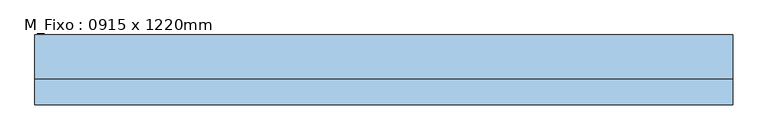
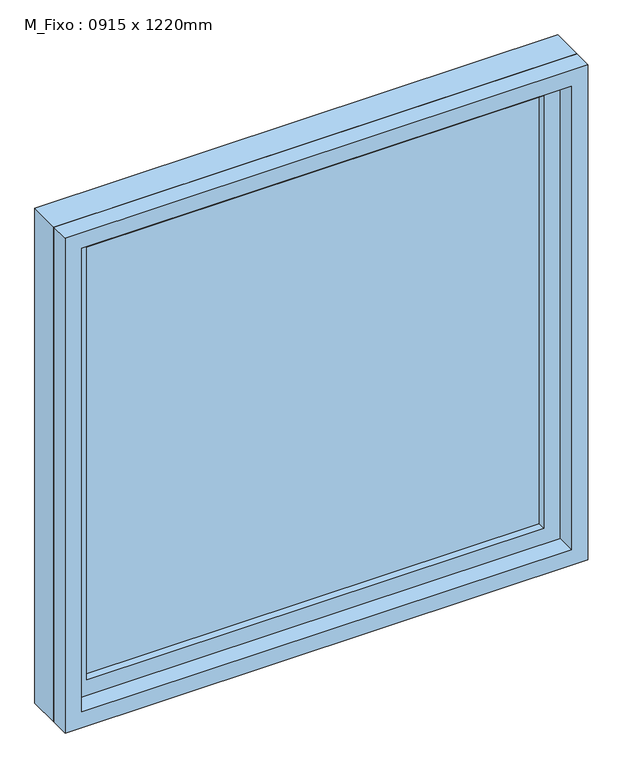
"""IFC4 building model written with IfcOpenShell, lengths in millimetres: window geometry, M_Fixo : 0915 x 1220mm."""

from ifc_helpers import new_model, si_unit, frame, origin, place, context, project, spatial, polyline, outline, extrude, source, transform, mapped, element, save


def m_fixo_0915_x_1220mm_7319355b(model_context):
    return source(origin(), model_context, "Body", "SweptSolid", [
        extrude(outline(polyline([(-437.0, 28.0), (437.0, 28.0), (437.0, 16.0), (-437.0, 16.0), (-437.0, 28.0)])), frame((0.0, 0.0, 1163.0), z_axis=(0.0, 0.0, 1.0), x_axis=(1.0, 0.0, 0.0)), (0.0, 0.0, 1.0), 874.0),
        extrude(outline(polyline([(2081.0, -481.0), (1119.0, -481.0), (1119.0, 481.0), (2081.0, 481.0), (2081.0, -481.0)]), holes=[polyline([(2037.0, -437.0), (2037.0, 437.0), (1163.0, 437.0), (1163.0, -437.0), (2037.0, -437.0)])]), frame((0.0, 0.0, 0.0), z_axis=(0.0, 1.0, 0.0), x_axis=(0.0, 0.0, 1.0)), (0.0, 0.0, 1.0), 44.0),
        extrude(outline(polyline([(2100.0, -500.0), (1100.0, -500.0), (1100.0, 500.0), (2100.0, 500.0), (2100.0, -500.0)]), holes=[polyline([(2081.0, -481.0), (2081.0, 481.0), (1119.0, 481.0), (1119.0, -481.0), (2081.0, -481.0)])]), frame((0.0, 0.0, 0.0), z_axis=(0.0, 1.0, 0.0), x_axis=(0.0, 0.0, 1.0)), (0.0, 0.0, 1.0), 63.0),
        extrude(outline(polyline([(2100.0, -500.0), (1100.0, -500.0), (1100.0, 500.0), (2100.0, 500.0), (2100.0, -500.0)]), holes=[polyline([(2068.0, -468.0), (2068.0, 468.0), (1132.0, 468.0), (1132.0, -468.0), (2068.0, -468.0)])]), frame((0.0, -37.0, 0.0), z_axis=(0.0, 1.0, 0.0), x_axis=(0.0, 0.0, 1.0)), (0.0, 0.0, 1.0), 37.0),
    ])


if __name__ == "__main__":
    model = new_model("IFC4")
    model_context = context("Model", 3, world=origin())
    ifc_project = project(units=[si_unit("LENGTHUNIT", "METRE", prefix="MILLI")], contexts=[model_context])
    site = spatial("IfcSite", under=ifc_project)
    building = spatial("IfcBuilding", under=site)
    placement = place(None, origin())
    m_fixo_0915_x_1220mm_shape = m_fixo_0915_x_1220mm_7319355b(model_context)
    element("IfcWindow", 1, ObjectType="M_Fixo : 0915 x 1220mm", at=placement, inside=building, context=model_context, shape_type="MappedRepresentation", body=[
        mapped(m_fixo_0915_x_1220mm_shape, transform((0.0, 0.0, 0.0), x_axis=(1.0, 0.0, 0.0), y_axis=(0.0, 1.0, 0.0), z_axis=(0.0, 0.0, 1.0))),
    ])
    save(model, "model.ifc")
